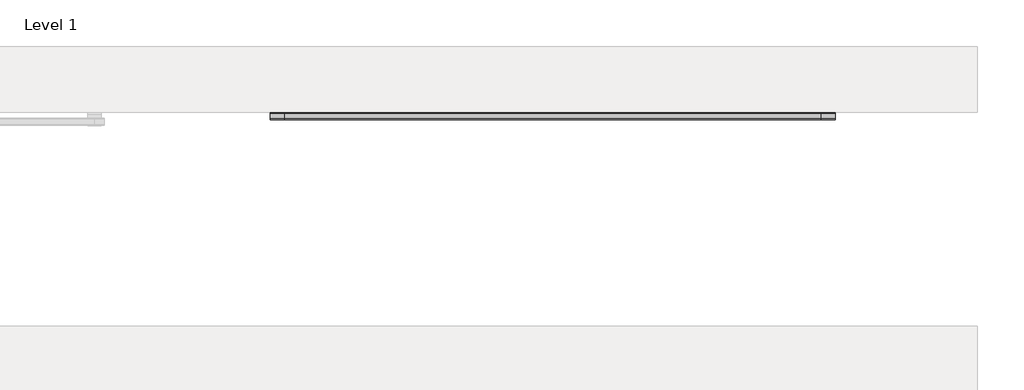
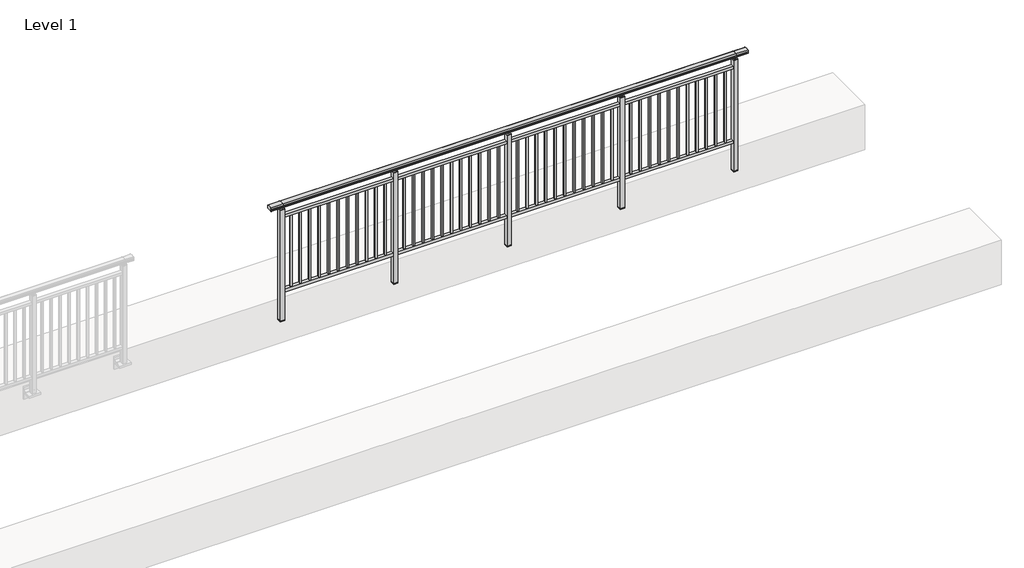
# One storey, part 19 of 64: 1 railing.
"""IFC4 building model written with IfcOpenShell, lengths in millimetres."""

from ifc_helpers import new_model, si_unit, frame, origin, place, context, project, spatial, polyline, circle_curve, outline, extrude, element, save
from ifc_brep_helpers import plane_surface, cylinder_surface, revolved_surface, advanced_brep

model = new_model("IFC4")

# Units and contexts
model_context = context("Model", 3, world=origin())
ifc_project = project(units=[si_unit("LENGTHUNIT", "METRE", prefix="MILLI")], contexts=[model_context])

# Site, building, storey
site = spatial("IfcSite", under=ifc_project)
building = spatial("IfcBuilding", under=site)
storey = spatial("IfcBuildingStorey", under=building, Name="Level 1", Elevation=0.0)

# Railing
placement = place(None, origin())
element("IfcRailing", 1, at=placement, inside=storey, context=model_context, shape_type="SolidModel", body=[
    advanced_brep(
    [(19372.5, 2392.8633756, 1095.6691182), (19372.5, 2397.6846828, 1081.1334092), (19372.5, 2396.7413744, 1069.2539035), (19372.5, 2398.6364177, 1061.4863007), (19372.5, 2396.9894799, 1060.384124), (19372.5, 2396.9894799, 1062.0), (19372.5, 2338.3798858, 1062.0), (19372.5, 2338.3798858, 1060.384124), (19372.5, 2336.732948, 1061.4863007), (19372.5, 2338.6279912, 1069.2539035), (19372.5, 2337.6846828, 1081.1334092), (19372.5, 2342.50599, 1095.6691182), (24427.5, 2392.8633756, 1095.6691182), (24427.5, 2342.50599, 1095.6691182), (24427.5, 2337.6846828, 1081.1334092), (24427.5, 2338.6279912, 1069.2539035), (24427.5, 2336.732948, 1061.4863007), (24427.5, 2338.3798858, 1060.384124), (24427.5, 2338.3798858, 1062.0), (24427.5, 2396.9894799, 1062.0), (24427.5, 2396.9894799, 1060.384124), (24427.5, 2398.6364177, 1061.4863007), (24427.5, 2396.7413744, 1069.2539035), (24427.5, 2397.6846828, 1081.1334092), (19500.0, 2392.8633756, 1095.6691182), (19500.0, 2397.6846828, 1081.1334092), (19500.0, 2396.7413744, 1069.2539035), (19500.0, 2398.6364177, 1061.4863007), (19500.0, 2396.9894799, 1060.384124), (19500.0, 2396.9894799, 1062.0), (19500.0, 2338.3798858, 1062.0), (19500.0, 2338.3798858, 1060.384124), (19500.0, 2336.732948, 1061.4863007), (19500.0, 2338.6279912, 1069.2539035), (19500.0, 2337.6846828, 1081.1334092), (19500.0, 2342.50599, 1095.6691182), (24300.0, 2392.8633756, 1095.6691182), (24300.0, 2397.6846828, 1081.1334092), (24300.0, 2396.7413744, 1069.2539035), (24300.0, 2398.6364177, 1061.4863007), (24300.0, 2396.9894799, 1060.384124), (24300.0, 2396.9894799, 1062.0), (24300.0, 2338.3798858, 1062.0), (24300.0, 2338.3798858, 1060.384124), (24300.0, 2336.732948, 1061.4863007), (24300.0, 2338.6279912, 1069.2539035), (24300.0, 2337.6846828, 1081.1334092), (24300.0, 2342.50599, 1095.6691182)],
    [
        (0, 1, circle_curve(frame((19372.5, 2389.6223845, 1086.526686), z_axis=(-1.0, 0.0, 0.0), x_axis=(0.0, -1.0, 0.0)), 9.6999015)),
        (1, 2, circle_curve(frame((19372.5, 2415.2252545, 1073.7633709), z_axis=(1.0, 0.0, 0.0), x_axis=(0.0, -1.0, 0.0)), 19.0260117)),
        (2, 3),
        (3, 4, circle_curve(frame((19372.5, 2397.7772073, 1060.9886194), z_axis=(-1.0, 0.0, 0.0), x_axis=(0.0, -1.0, 0.0)), 0.9929396)),
        (4, 5),
        (5, 6),
        (6, 7),
        (7, 8, circle_curve(frame((19372.5, 2337.5921584, 1060.9886194), z_axis=(-1.0, 0.0, 0.0), x_axis=(0.0, 1.0, 0.0)), 0.9929396)),
        (8, 9),
        (9, 10, circle_curve(frame((19372.5, 2320.1441111, 1073.7633709), z_axis=(1.0, 0.0, 0.0), x_axis=(0.0, 1.0, 0.0)), 19.0260117)),
        (10, 11, circle_curve(frame((19372.5, 2345.7469812, 1086.526686), z_axis=(-1.0, 0.0, 0.0), x_axis=(0.0, 1.0, 0.0)), 9.6999015)),
        (11, 0, circle_curve(frame((19372.5, 2367.6846828, 1024.6431628), z_axis=(-1.0, 0.0, 0.0), x_axis=(0.0, 1.0, 0.0)), 75.3568372)),
        (12, 13, circle_curve(frame((24427.5, 2367.6846828, 1024.6431628), z_axis=(1.0, 0.0, 0.0), x_axis=(0.0, 1.0, 0.0)), 75.3568372)),
        (13, 14, circle_curve(frame((24427.5, 2345.7469812, 1086.526686), z_axis=(1.0, 0.0, 0.0), x_axis=(0.0, 1.0, 0.0)), 9.6999015)),
        (14, 15, circle_curve(frame((24427.5, 2320.1441111, 1073.7633709), z_axis=(-1.0, 0.0, 0.0), x_axis=(0.0, 1.0, 0.0)), 19.0260117)),
        (15, 16),
        (16, 17, circle_curve(frame((24427.5, 2337.5921584, 1060.9886194), z_axis=(1.0, 0.0, 0.0), x_axis=(0.0, 1.0, 0.0)), 0.9929396)),
        (17, 18),
        (18, 19),
        (19, 20),
        (20, 21, circle_curve(frame((24427.5, 2397.7772073, 1060.9886194), z_axis=(1.0, 0.0, 0.0), x_axis=(0.0, -1.0, 0.0)), 0.9929396)),
        (21, 22),
        (22, 23, circle_curve(frame((24427.5, 2415.2252545, 1073.7633709), z_axis=(-1.0, 0.0, 0.0), x_axis=(0.0, -1.0, 0.0)), 19.0260117)),
        (23, 12, circle_curve(frame((24427.5, 2389.6223845, 1086.526686), z_axis=(1.0, 0.0, 0.0), x_axis=(0.0, -1.0, 0.0)), 9.6999015)),
        (0, 24),
        (24, 25, circle_curve(frame((19500.0, 2389.6223845, 1086.526686), z_axis=(-1.0, 0.0, 0.0), x_axis=(0.0, -1.0, 0.0)), 9.6999015)),
        (25, 1),
        (25, 26, circle_curve(frame((19500.0, 2415.2252545, 1073.7633709), z_axis=(1.0, 0.0, 0.0), x_axis=(0.0, -1.0, 0.0)), 19.0260117)),
        (26, 2),
        (26, 27),
        (27, 3),
        (27, 28, circle_curve(frame((19500.0, 2397.7772073, 1060.9886194), z_axis=(-1.0, 0.0, 0.0), x_axis=(0.0, -1.0, 0.0)), 0.9929396)),
        (28, 4),
        (28, 29),
        (29, 5),
        (29, 30),
        (30, 6),
        (30, 31),
        (31, 7),
        (31, 32, circle_curve(frame((19500.0, 2337.5921584, 1060.9886194), z_axis=(-1.0, 0.0, 0.0), x_axis=(0.0, 1.0, 0.0)), 0.9929396)),
        (32, 8),
        (32, 33),
        (33, 9),
        (33, 34, circle_curve(frame((19500.0, 2320.1441111, 1073.7633709), z_axis=(1.0, 0.0, 0.0), x_axis=(0.0, 1.0, 0.0)), 19.0260117)),
        (34, 10),
        (34, 35, circle_curve(frame((19500.0, 2345.7469812, 1086.526686), z_axis=(-1.0, 0.0, 0.0), x_axis=(0.0, 1.0, 0.0)), 9.6999015)),
        (35, 11),
        (35, 24, circle_curve(frame((19500.0, 2367.6846828, 1024.6431628), z_axis=(-1.0, 0.0, 0.0), x_axis=(0.0, 1.0, 0.0)), 75.3568372)),
        (24, 36),
        (36, 37, circle_curve(frame((24300.0, 2389.6223845, 1086.526686), z_axis=(-1.0, 0.0, 0.0), x_axis=(0.0, -1.0, 0.0)), 9.6999015)),
        (37, 25),
        (37, 38, circle_curve(frame((24300.0, 2415.2252545, 1073.7633709), z_axis=(1.0, 0.0, 0.0), x_axis=(0.0, -1.0, 0.0)), 19.0260117)),
        (38, 26),
        (38, 39),
        (39, 27),
        (39, 40, circle_curve(frame((24300.0, 2397.7772073, 1060.9886194), z_axis=(-1.0, 0.0, 0.0), x_axis=(0.0, -1.0, 0.0)), 0.9929396)),
        (40, 28),
        (40, 41),
        (41, 29),
        (41, 42),
        (42, 30),
        (42, 43),
        (43, 31),
        (43, 44, circle_curve(frame((24300.0, 2337.5921584, 1060.9886194), z_axis=(-1.0, 0.0, 0.0), x_axis=(0.0, 1.0, 0.0)), 0.9929396)),
        (44, 32),
        (44, 45),
        (45, 33),
        (45, 46, circle_curve(frame((24300.0, 2320.1441111, 1073.7633709), z_axis=(1.0, 0.0, 0.0), x_axis=(0.0, 1.0, 0.0)), 19.0260117)),
        (46, 34),
        (46, 47, circle_curve(frame((24300.0, 2345.7469812, 1086.526686), z_axis=(-1.0, 0.0, 0.0), x_axis=(0.0, 1.0, 0.0)), 9.6999015)),
        (47, 35),
        (47, 36, circle_curve(frame((24300.0, 2367.6846828, 1024.6431628), z_axis=(-1.0, 0.0, 0.0), x_axis=(0.0, 1.0, 0.0)), 75.3568372)),
        (36, 12),
        (23, 37),
        (22, 38),
        (21, 39),
        (20, 40),
        (19, 41),
        (18, 42),
        (17, 43),
        (16, 44),
        (15, 45),
        (14, 46),
        (13, 47),
    ],
    [
        plane_surface(frame((19372.5, 2367.6846828, 1100.0), z_axis=(-1.0, 0.0, 0.0), x_axis=(0.0, 1.0, 0.0))),
        plane_surface(frame((24427.5, 2367.6846828, 1100.0), z_axis=(1.0, 0.0, 0.0), x_axis=(0.0, 1.0, 0.0))),
        cylinder_surface(frame((19372.5, 2389.6223845, 1086.526686), z_axis=(-1.0, 0.0, 0.0), x_axis=(0.0, -1.0, 0.0)), 9.6999015),
        revolved_surface(polyline([(19500.0, 2396.1992428000003, 1073.7633709), (19372.5, 2396.1992428000003, 1073.7633709)]), (19372.5, 2415.2252545, 1073.7633709), (1.0, 0.0, 0.0)),
        plane_surface(frame((19372.5, 2396.7413744, 1069.2539035), z_axis=(0.0, 0.9715057689301543, 0.2370159086125439), x_axis=(1.0, 0.0, 0.0))),
        cylinder_surface(frame((19372.5, 2397.7772073, 1060.9886194), z_axis=(-1.0, 0.0, 0.0), x_axis=(0.0, -1.0, 0.0)), 0.9929396),
        plane_surface(frame((19372.5, 2396.9894799, 1060.384124), z_axis=(0.0, -1.0, 0.0), x_axis=(1.0, 0.0, 0.0))),
        plane_surface(frame((19372.5, 2396.9894799, 1062.0), z_axis=(0.0, 0.0, -1.0), x_axis=(1.0, 0.0, 0.0))),
        plane_surface(frame((19372.5, 2338.3798858, 1062.0), z_axis=(0.0, 1.0, 0.0), x_axis=(1.0, 0.0, 0.0))),
        cylinder_surface(frame((19372.5, 2337.5921584, 1060.9886194), z_axis=(-1.0, 0.0, 0.0), x_axis=(0.0, 1.0, 0.0)), 0.9929396),
        plane_surface(frame((19372.5, 2336.732948, 1061.4863007), z_axis=(0.0, -0.9715057689301543, 0.2370159086125439), x_axis=(1.0, 0.0, 0.0))),
        revolved_surface(polyline([(19500.0, 2339.1701227999997, 1073.7633709), (19372.5, 2339.1701227999997, 1073.7633709)]), (19372.5, 2320.1441111, 1073.7633709), (1.0, 0.0, 0.0)),
        cylinder_surface(frame((19372.5, 2345.7469812, 1086.526686), z_axis=(-1.0, 0.0, 0.0), x_axis=(0.0, 1.0, 0.0)), 9.6999015),
        cylinder_surface(frame((19372.5, 2367.6846828, 1024.6431628), z_axis=(-1.0, 0.0, 0.0), x_axis=(0.0, 1.0, 0.0)), 75.3568372),
        cylinder_surface(frame((19500.0, 2389.6223845, 1086.526686), z_axis=(-1.0, 0.0, 0.0), x_axis=(0.0, -1.0, 0.0)), 9.6999015),
        revolved_surface(polyline([(24300.0, 2396.1992428000003, 1073.7633709), (19500.0, 2396.1992428000003, 1073.7633709)]), (19500.0, 2415.2252545, 1073.7633709), (1.0, 0.0, 0.0)),
        plane_surface(frame((19500.0, 2396.7413744, 1069.2539035), z_axis=(0.0, 0.9715057689301543, 0.2370159086125439), x_axis=(1.0, 0.0, 0.0))),
        cylinder_surface(frame((19500.0, 2397.7772073, 1060.9886194), z_axis=(-1.0, 0.0, 0.0), x_axis=(0.0, -1.0, 0.0)), 0.9929396),
        plane_surface(frame((19500.0, 2396.9894799, 1060.384124), z_axis=(0.0, -1.0, 0.0), x_axis=(1.0, 0.0, 0.0))),
        plane_surface(frame((19500.0, 2396.9894799, 1062.0), z_axis=(0.0, 0.0, -1.0), x_axis=(1.0, 0.0, 0.0))),
        plane_surface(frame((19500.0, 2338.3798858, 1062.0), z_axis=(0.0, 1.0, 0.0), x_axis=(1.0, 0.0, 0.0))),
        cylinder_surface(frame((19500.0, 2337.5921584, 1060.9886194), z_axis=(-1.0, 0.0, 0.0), x_axis=(0.0, 1.0, 0.0)), 0.9929396),
        plane_surface(frame((19500.0, 2336.732948, 1061.4863007), z_axis=(0.0, -0.9715057689301543, 0.2370159086125439), x_axis=(1.0, 0.0, 0.0))),
        revolved_surface(polyline([(24300.0, 2339.1701227999997, 1073.7633709), (19500.0, 2339.1701227999997, 1073.7633709)]), (19500.0, 2320.1441111, 1073.7633709), (1.0, 0.0, 0.0)),
        cylinder_surface(frame((19500.0, 2345.7469812, 1086.526686), z_axis=(-1.0, 0.0, 0.0), x_axis=(0.0, 1.0, 0.0)), 9.6999015),
        cylinder_surface(frame((19500.0, 2367.6846828, 1024.6431628), z_axis=(-1.0, 0.0, 0.0), x_axis=(0.0, 1.0, 0.0)), 75.3568372),
        cylinder_surface(frame((24300.0, 2389.6223845, 1086.526686), z_axis=(-1.0, 0.0, 0.0), x_axis=(0.0, -1.0, 0.0)), 9.6999015),
        revolved_surface(polyline([(24427.5, 2396.1992428000003, 1073.7633709), (24300.0, 2396.1992428000003, 1073.7633709)]), (24300.0, 2415.2252545, 1073.7633709), (1.0, 0.0, 0.0)),
        plane_surface(frame((24300.0, 2396.7413744, 1069.2539035), z_axis=(0.0, 0.9715057689301543, 0.2370159086125439), x_axis=(1.0, 0.0, 0.0))),
        cylinder_surface(frame((24300.0, 2397.7772073, 1060.9886194), z_axis=(-1.0, 0.0, 0.0), x_axis=(0.0, -1.0, 0.0)), 0.9929396),
        plane_surface(frame((24300.0, 2396.9894799, 1060.384124), z_axis=(0.0, -1.0, 0.0), x_axis=(1.0, 0.0, 0.0))),
        plane_surface(frame((24300.0, 2396.9894799, 1062.0), z_axis=(0.0, 0.0, -1.0), x_axis=(1.0, 0.0, 0.0))),
        plane_surface(frame((24300.0, 2338.3798858, 1062.0), z_axis=(0.0, 1.0, 0.0), x_axis=(1.0, 0.0, 0.0))),
        cylinder_surface(frame((24300.0, 2337.5921584, 1060.9886194), z_axis=(-1.0, 0.0, 0.0), x_axis=(0.0, 1.0, 0.0)), 0.9929396),
        plane_surface(frame((24300.0, 2336.732948, 1061.4863007), z_axis=(0.0, -0.9715057689301543, 0.2370159086125439), x_axis=(1.0, 0.0, 0.0))),
        revolved_surface(polyline([(24427.5, 2339.1701227999997, 1073.7633709), (24300.0, 2339.1701227999997, 1073.7633709)]), (24300.0, 2320.1441111, 1073.7633709), (1.0, 0.0, 0.0)),
        cylinder_surface(frame((24300.0, 2345.7469812, 1086.526686), z_axis=(-1.0, 0.0, 0.0), x_axis=(0.0, 1.0, 0.0)), 9.6999015),
        cylinder_surface(frame((24300.0, 2367.6846828, 1024.6431628), z_axis=(-1.0, 0.0, 0.0), x_axis=(0.0, 1.0, 0.0)), 75.3568372),
    ],
    [
        (0, [[1, 2, 3, 4, 5, 6, 7, 8, 9, 10, 11, 12]]),
        (1, [[13, 14, 15, 16, 17, 18, 19, 20, 21, 22, 23, 24]]),
        (2, [[-1, 25, 26, 27]]),
        (3, [[-2, -27, 28, 29]]),
        (4, [[-3, -29, 30, 31]]),
        (5, [[-4, -31, 32, 33]]),
        (6, [[-5, -33, 34, 35]]),
        (7, [[-6, -35, 36, 37]]),
        (8, [[-7, -37, 38, 39]]),
        (9, [[-8, -39, 40, 41]]),
        (10, [[-9, -41, 42, 43]]),
        (11, [[-10, -43, 44, 45]]),
        (12, [[-11, -45, 46, 47]]),
        (13, [[-12, -47, 48, -25]]),
        (14, [[-26, 49, 50, 51]]),
        (15, [[-28, -51, 52, 53]]),
        (16, [[-30, -53, 54, 55]]),
        (17, [[-32, -55, 56, 57]]),
        (18, [[-34, -57, 58, 59]]),
        (19, [[-36, -59, 60, 61]]),
        (20, [[-38, -61, 62, 63]]),
        (21, [[-40, -63, 64, 65]]),
        (22, [[-42, -65, 66, 67]]),
        (23, [[-44, -67, 68, 69]]),
        (24, [[-46, -69, 70, 71]]),
        (25, [[-48, -71, 72, -49]]),
        (26, [[-50, 73, -24, 74]]),
        (27, [[-52, -74, -23, 75]]),
        (28, [[-54, -75, -22, 76]]),
        (29, [[-56, -76, -21, 77]]),
        (30, [[-58, -77, -20, 78]]),
        (31, [[-60, -78, -19, 79]]),
        (32, [[-62, -79, -18, 80]]),
        (33, [[-64, -80, -17, 81]]),
        (34, [[-66, -81, -16, 82]]),
        (35, [[-68, -82, -15, 83]]),
        (36, [[-70, -83, -14, 84]]),
        (37, [[-72, -84, -13, -73]]),
    ],
),
    extrude(outline(polyline([(19500.0, 2350.1846828), (19500.0, 2385.1846828), (24300.0, 2385.1846828), (24300.0, 2350.1846828), (19500.0, 2350.1846828)])), frame((0.0, 0.0, 930.0), z_axis=(0.0, 0.0, 1.0), x_axis=(1.0, 0.0, 0.0)), (0.0, 0.0, 1.0), 30.0),
    extrude(outline(polyline([(19500.0, 2350.1846828), (19500.0, 2385.1846828), (24300.0, 2385.1846828), (24300.0, 2350.1846828), (19500.0, 2350.1846828)])), frame((0.0, 0.0, 95.0), z_axis=(0.0, 0.0, 1.0), x_axis=(1.0, 0.0, 0.0)), (0.0, 0.0, 1.0), 30.0),
    extrude(outline(polyline([(24208.5, 2359.1846828), (24191.5, 2359.1846828), (24191.5, 2376.1846828), (24208.5, 2376.1846828), (24208.5, 2359.1846828)])), frame((0.0, 0.0, 125.0), z_axis=(0.0, 0.0, 1.0), x_axis=(1.0, 0.0, 0.0)), (0.0, 0.0, 1.0), 805.0),
    extrude(outline(polyline([(24108.5, 2359.1846828), (24091.5, 2359.1846828), (24091.5, 2376.1846828), (24108.5, 2376.1846828), (24108.5, 2359.1846828)])), frame((0.0, 0.0, 125.0), z_axis=(0.0, 0.0, 1.0), x_axis=(1.0, 0.0, 0.0)), (0.0, 0.0, 1.0), 805.0),
    extrude(outline(polyline([(24008.5, 2359.1846828), (23991.5, 2359.1846828), (23991.5, 2376.1846828), (24008.5, 2376.1846828), (24008.5, 2359.1846828)])), frame((0.0, 0.0, 125.0), z_axis=(0.0, 0.0, 1.0), x_axis=(1.0, 0.0, 0.0)), (0.0, 0.0, 1.0), 805.0),
    extrude(outline(polyline([(23908.5, 2359.1846828), (23891.5, 2359.1846828), (23891.5, 2376.1846828), (23908.5, 2376.1846828), (23908.5, 2359.1846828)])), frame((0.0, 0.0, 125.0), z_axis=(0.0, 0.0, 1.0), x_axis=(1.0, 0.0, 0.0)), (0.0, 0.0, 1.0), 805.0),
    extrude(outline(polyline([(23808.5, 2359.1846828), (23791.5, 2359.1846828), (23791.5, 2376.1846828), (23808.5, 2376.1846828), (23808.5, 2359.1846828)])), frame((0.0, 0.0, 125.0), z_axis=(0.0, 0.0, 1.0), x_axis=(1.0, 0.0, 0.0)), (0.0, 0.0, 1.0), 805.0),
    extrude(outline(polyline([(23708.5, 2359.1846828), (23691.5, 2359.1846828), (23691.5, 2376.1846828), (23708.5, 2376.1846828), (23708.5, 2359.1846828)])), frame((0.0, 0.0, 125.0), z_axis=(0.0, 0.0, 1.0), x_axis=(1.0, 0.0, 0.0)), (0.0, 0.0, 1.0), 805.0),
    extrude(outline(polyline([(23608.5, 2359.1846828), (23591.5, 2359.1846828), (23591.5, 2376.1846828), (23608.5, 2376.1846828), (23608.5, 2359.1846828)])), frame((0.0, 0.0, 125.0), z_axis=(0.0, 0.0, 1.0), x_axis=(1.0, 0.0, 0.0)), (0.0, 0.0, 1.0), 805.0),
    extrude(outline(polyline([(23508.5, 2359.1846828), (23491.5, 2359.1846828), (23491.5, 2376.1846828), (23508.5, 2376.1846828), (23508.5, 2359.1846828)])), frame((0.0, 0.0, 125.0), z_axis=(0.0, 0.0, 1.0), x_axis=(1.0, 0.0, 0.0)), (0.0, 0.0, 1.0), 805.0),
    extrude(outline(polyline([(23408.5, 2359.1846828), (23391.5, 2359.1846828), (23391.5, 2376.1846828), (23408.5, 2376.1846828), (23408.5, 2359.1846828)])), frame((0.0, 0.0, 125.0), z_axis=(0.0, 0.0, 1.0), x_axis=(1.0, 0.0, 0.0)), (0.0, 0.0, 1.0), 805.0),
    extrude(outline(polyline([(23308.5, 2359.1846828), (23291.5, 2359.1846828), (23291.5, 2376.1846828), (23308.5, 2376.1846828), (23308.5, 2359.1846828)])), frame((0.0, 0.0, 125.0), z_axis=(0.0, 0.0, 1.0), x_axis=(1.0, 0.0, 0.0)), (0.0, 0.0, 1.0), 805.0),
    extrude(outline(polyline([(23208.5, 2359.1846828), (23191.5, 2359.1846828), (23191.5, 2376.1846828), (23208.5, 2376.1846828), (23208.5, 2359.1846828)])), frame((0.0, 0.0, 125.0), z_axis=(0.0, 0.0, 1.0), x_axis=(1.0, 0.0, 0.0)), (0.0, 0.0, 1.0), 805.0),
    extrude(outline(polyline([(23122.5, 2390.1846828), (23122.5, 2345.1846828), (23077.5, 2345.1846828), (23077.5, 2390.1846828), (23122.5, 2390.1846828)])), frame((0.0, 0.0, 1027.0), z_axis=(0.0, 0.0, 1.0), x_axis=(1.0, 0.0, 0.0)), (0.0, 0.0, 1.0), 8.0),
    extrude(outline(polyline([(23122.5, 2390.1846828), (23122.5, 2345.1846828), (23077.5, 2345.1846828), (23077.5, 2390.1846828), (23122.5, 2390.1846828)])), frame((0.0, 0.0, -212.0), z_axis=(0.0, 0.0, 1.0), x_axis=(1.0, 0.0, 0.0)), (0.0, 0.0, 1.0), 1239.0),
    extrude(outline(polyline([(23110.0, 2377.6846828), (23110.0, 2357.6846828), (23090.0, 2357.6846828), (23090.0, 2377.6846828), (23110.0, 2377.6846828)])), frame((0.0, 0.0, 1035.0), z_axis=(0.0, 0.0, 1.0), x_axis=(1.0, 0.0, 0.0)), (0.0, 0.0, 1.0), 20.0),
    extrude(outline(polyline([(23122.5, 2390.1846828), (23122.5, 2345.1846828), (23077.5, 2345.1846828), (23077.5, 2390.1846828), (23122.5, 2390.1846828)])), frame((0.0, 0.0, -220.0), z_axis=(0.0, 0.0, 1.0), x_axis=(1.0, 0.0, 0.0)), (0.0, 0.0, 1.0), 8.0),
    extrude(outline(polyline([(23008.5, 2359.1846828), (22991.5, 2359.1846828), (22991.5, 2376.1846828), (23008.5, 2376.1846828), (23008.5, 2359.1846828)])), frame((0.0, 0.0, 125.0), z_axis=(0.0, 0.0, 1.0), x_axis=(1.0, 0.0, 0.0)), (0.0, 0.0, 1.0), 805.0),
    extrude(outline(polyline([(22908.5, 2359.1846828), (22891.5, 2359.1846828), (22891.5, 2376.1846828), (22908.5, 2376.1846828), (22908.5, 2359.1846828)])), frame((0.0, 0.0, 125.0), z_axis=(0.0, 0.0, 1.0), x_axis=(1.0, 0.0, 0.0)), (0.0, 0.0, 1.0), 805.0),
    extrude(outline(polyline([(22808.5, 2359.1846828), (22791.5, 2359.1846828), (22791.5, 2376.1846828), (22808.5, 2376.1846828), (22808.5, 2359.1846828)])), frame((0.0, 0.0, 125.0), z_axis=(0.0, 0.0, 1.0), x_axis=(1.0, 0.0, 0.0)), (0.0, 0.0, 1.0), 805.0),
    extrude(outline(polyline([(22708.5, 2359.1846828), (22691.5, 2359.1846828), (22691.5, 2376.1846828), (22708.5, 2376.1846828), (22708.5, 2359.1846828)])), frame((0.0, 0.0, 125.0), z_axis=(0.0, 0.0, 1.0), x_axis=(1.0, 0.0, 0.0)), (0.0, 0.0, 1.0), 805.0),
    extrude(outline(polyline([(22608.5, 2359.1846828), (22591.5, 2359.1846828), (22591.5, 2376.1846828), (22608.5, 2376.1846828), (22608.5, 2359.1846828)])), frame((0.0, 0.0, 125.0), z_axis=(0.0, 0.0, 1.0), x_axis=(1.0, 0.0, 0.0)), (0.0, 0.0, 1.0), 805.0),
    extrude(outline(polyline([(22508.5, 2359.1846828), (22491.5, 2359.1846828), (22491.5, 2376.1846828), (22508.5, 2376.1846828), (22508.5, 2359.1846828)])), frame((0.0, 0.0, 125.0), z_axis=(0.0, 0.0, 1.0), x_axis=(1.0, 0.0, 0.0)), (0.0, 0.0, 1.0), 805.0),
    extrude(outline(polyline([(22408.5, 2359.1846828), (22391.5, 2359.1846828), (22391.5, 2376.1846828), (22408.5, 2376.1846828), (22408.5, 2359.1846828)])), frame((0.0, 0.0, 125.0), z_axis=(0.0, 0.0, 1.0), x_axis=(1.0, 0.0, 0.0)), (0.0, 0.0, 1.0), 805.0),
    extrude(outline(polyline([(22308.5, 2359.1846828), (22291.5, 2359.1846828), (22291.5, 2376.1846828), (22308.5, 2376.1846828), (22308.5, 2359.1846828)])), frame((0.0, 0.0, 125.0), z_axis=(0.0, 0.0, 1.0), x_axis=(1.0, 0.0, 0.0)), (0.0, 0.0, 1.0), 805.0),
    extrude(outline(polyline([(22208.5, 2359.1846828), (22191.5, 2359.1846828), (22191.5, 2376.1846828), (22208.5, 2376.1846828), (22208.5, 2359.1846828)])), frame((0.0, 0.0, 125.0), z_axis=(0.0, 0.0, 1.0), x_axis=(1.0, 0.0, 0.0)), (0.0, 0.0, 1.0), 805.0),
    extrude(outline(polyline([(22108.5, 2359.1846828), (22091.5, 2359.1846828), (22091.5, 2376.1846828), (22108.5, 2376.1846828), (22108.5, 2359.1846828)])), frame((0.0, 0.0, 125.0), z_axis=(0.0, 0.0, 1.0), x_axis=(1.0, 0.0, 0.0)), (0.0, 0.0, 1.0), 805.0),
    extrude(outline(polyline([(22008.5, 2359.1846828), (21991.5, 2359.1846828), (21991.5, 2376.1846828), (22008.5, 2376.1846828), (22008.5, 2359.1846828)])), frame((0.0, 0.0, 125.0), z_axis=(0.0, 0.0, 1.0), x_axis=(1.0, 0.0, 0.0)), (0.0, 0.0, 1.0), 805.0),
    extrude(outline(polyline([(21922.5, 2390.1846828), (21922.5, 2345.1846828), (21877.5, 2345.1846828), (21877.5, 2390.1846828), (21922.5, 2390.1846828)])), frame((0.0, 0.0, 1027.0), z_axis=(0.0, 0.0, 1.0), x_axis=(1.0, 0.0, 0.0)), (0.0, 0.0, 1.0), 8.0),
    extrude(outline(polyline([(21922.5, 2390.1846828), (21922.5, 2345.1846828), (21877.5, 2345.1846828), (21877.5, 2390.1846828), (21922.5, 2390.1846828)])), frame((0.0, 0.0, -212.0), z_axis=(0.0, 0.0, 1.0), x_axis=(1.0, 0.0, 0.0)), (0.0, 0.0, 1.0), 1239.0),
    extrude(outline(polyline([(21910.0, 2377.6846828), (21910.0, 2357.6846828), (21890.0, 2357.6846828), (21890.0, 2377.6846828), (21910.0, 2377.6846828)])), frame((0.0, 0.0, 1035.0), z_axis=(0.0, 0.0, 1.0), x_axis=(1.0, 0.0, 0.0)), (0.0, 0.0, 1.0), 20.0),
    extrude(outline(polyline([(21922.5, 2390.1846828), (21922.5, 2345.1846828), (21877.5, 2345.1846828), (21877.5, 2390.1846828), (21922.5, 2390.1846828)])), frame((0.0, 0.0, -220.0), z_axis=(0.0, 0.0, 1.0), x_axis=(1.0, 0.0, 0.0)), (0.0, 0.0, 1.0), 8.0),
    extrude(outline(polyline([(21808.5, 2359.1846828), (21791.5, 2359.1846828), (21791.5, 2376.1846828), (21808.5, 2376.1846828), (21808.5, 2359.1846828)])), frame((0.0, 0.0, 125.0), z_axis=(0.0, 0.0, 1.0), x_axis=(1.0, 0.0, 0.0)), (0.0, 0.0, 1.0), 805.0),
    extrude(outline(polyline([(21708.5, 2359.1846828), (21691.5, 2359.1846828), (21691.5, 2376.1846828), (21708.5, 2376.1846828), (21708.5, 2359.1846828)])), frame((0.0, 0.0, 125.0), z_axis=(0.0, 0.0, 1.0), x_axis=(1.0, 0.0, 0.0)), (0.0, 0.0, 1.0), 805.0),
    extrude(outline(polyline([(21608.5, 2359.1846828), (21591.5, 2359.1846828), (21591.5, 2376.1846828), (21608.5, 2376.1846828), (21608.5, 2359.1846828)])), frame((0.0, 0.0, 125.0), z_axis=(0.0, 0.0, 1.0), x_axis=(1.0, 0.0, 0.0)), (0.0, 0.0, 1.0), 805.0),
    extrude(outline(polyline([(21508.5, 2359.1846828), (21491.5, 2359.1846828), (21491.5, 2376.1846828), (21508.5, 2376.1846828), (21508.5, 2359.1846828)])), frame((0.0, 0.0, 125.0), z_axis=(0.0, 0.0, 1.0), x_axis=(1.0, 0.0, 0.0)), (0.0, 0.0, 1.0), 805.0),
    extrude(outline(polyline([(21408.5, 2359.1846828), (21391.5, 2359.1846828), (21391.5, 2376.1846828), (21408.5, 2376.1846828), (21408.5, 2359.1846828)])), frame((0.0, 0.0, 125.0), z_axis=(0.0, 0.0, 1.0), x_axis=(1.0, 0.0, 0.0)), (0.0, 0.0, 1.0), 805.0),
    extrude(outline(polyline([(21308.5, 2359.1846828), (21291.5, 2359.1846828), (21291.5, 2376.1846828), (21308.5, 2376.1846828), (21308.5, 2359.1846828)])), frame((0.0, 0.0, 125.0), z_axis=(0.0, 0.0, 1.0), x_axis=(1.0, 0.0, 0.0)), (0.0, 0.0, 1.0), 805.0),
    extrude(outline(polyline([(21208.5, 2359.1846828), (21191.5, 2359.1846828), (21191.5, 2376.1846828), (21208.5, 2376.1846828), (21208.5, 2359.1846828)])), frame((0.0, 0.0, 125.0), z_axis=(0.0, 0.0, 1.0), x_axis=(1.0, 0.0, 0.0)), (0.0, 0.0, 1.0), 805.0),
    extrude(outline(polyline([(21108.5, 2359.1846828), (21091.5, 2359.1846828), (21091.5, 2376.1846828), (21108.5, 2376.1846828), (21108.5, 2359.1846828)])), frame((0.0, 0.0, 125.0), z_axis=(0.0, 0.0, 1.0), x_axis=(1.0, 0.0, 0.0)), (0.0, 0.0, 1.0), 805.0),
    extrude(outline(polyline([(21008.5, 2359.1846828), (20991.5, 2359.1846828), (20991.5, 2376.1846828), (21008.5, 2376.1846828), (21008.5, 2359.1846828)])), frame((0.0, 0.0, 125.0), z_axis=(0.0, 0.0, 1.0), x_axis=(1.0, 0.0, 0.0)), (0.0, 0.0, 1.0), 805.0),
    extrude(outline(polyline([(20908.5, 2359.1846828), (20891.5, 2359.1846828), (20891.5, 2376.1846828), (20908.5, 2376.1846828), (20908.5, 2359.1846828)])), frame((0.0, 0.0, 125.0), z_axis=(0.0, 0.0, 1.0), x_axis=(1.0, 0.0, 0.0)), (0.0, 0.0, 1.0), 805.0),
    extrude(outline(polyline([(20808.5, 2359.1846828), (20791.5, 2359.1846828), (20791.5, 2376.1846828), (20808.5, 2376.1846828), (20808.5, 2359.1846828)])), frame((0.0, 0.0, 125.0), z_axis=(0.0, 0.0, 1.0), x_axis=(1.0, 0.0, 0.0)), (0.0, 0.0, 1.0), 805.0),
    extrude(outline(polyline([(20722.5, 2390.1846828), (20722.5, 2345.1846828), (20677.5, 2345.1846828), (20677.5, 2390.1846828), (20722.5, 2390.1846828)])), frame((0.0, 0.0, 1027.0), z_axis=(0.0, 0.0, 1.0), x_axis=(1.0, 0.0, 0.0)), (0.0, 0.0, 1.0), 8.0),
    extrude(outline(polyline([(20722.5, 2390.1846828), (20722.5, 2345.1846828), (20677.5, 2345.1846828), (20677.5, 2390.1846828), (20722.5, 2390.1846828)])), frame((0.0, 0.0, -212.0), z_axis=(0.0, 0.0, 1.0), x_axis=(1.0, 0.0, 0.0)), (0.0, 0.0, 1.0), 1239.0),
    extrude(outline(polyline([(20710.0, 2377.6846828), (20710.0, 2357.6846828), (20690.0, 2357.6846828), (20690.0, 2377.6846828), (20710.0, 2377.6846828)])), frame((0.0, 0.0, 1035.0), z_axis=(0.0, 0.0, 1.0), x_axis=(1.0, 0.0, 0.0)), (0.0, 0.0, 1.0), 20.0),
    extrude(outline(polyline([(20722.5, 2390.1846828), (20722.5, 2345.1846828), (20677.5, 2345.1846828), (20677.5, 2390.1846828), (20722.5, 2390.1846828)])), frame((0.0, 0.0, -220.0), z_axis=(0.0, 0.0, 1.0), x_axis=(1.0, 0.0, 0.0)), (0.0, 0.0, 1.0), 8.0),
    extrude(outline(polyline([(20608.5, 2359.1846828), (20591.5, 2359.1846828), (20591.5, 2376.1846828), (20608.5, 2376.1846828), (20608.5, 2359.1846828)])), frame((0.0, 0.0, 125.0), z_axis=(0.0, 0.0, 1.0), x_axis=(1.0, 0.0, 0.0)), (0.0, 0.0, 1.0), 805.0),
    extrude(outline(polyline([(20508.5, 2359.1846828), (20491.5, 2359.1846828), (20491.5, 2376.1846828), (20508.5, 2376.1846828), (20508.5, 2359.1846828)])), frame((0.0, 0.0, 125.0), z_axis=(0.0, 0.0, 1.0), x_axis=(1.0, 0.0, 0.0)), (0.0, 0.0, 1.0), 805.0),
    extrude(outline(polyline([(20408.5, 2359.1846828), (20391.5, 2359.1846828), (20391.5, 2376.1846828), (20408.5, 2376.1846828), (20408.5, 2359.1846828)])), frame((0.0, 0.0, 125.0), z_axis=(0.0, 0.0, 1.0), x_axis=(1.0, 0.0, 0.0)), (0.0, 0.0, 1.0), 805.0),
    extrude(outline(polyline([(20308.5, 2359.1846828), (20291.5, 2359.1846828), (20291.5, 2376.1846828), (20308.5, 2376.1846828), (20308.5, 2359.1846828)])), frame((0.0, 0.0, 125.0), z_axis=(0.0, 0.0, 1.0), x_axis=(1.0, 0.0, 0.0)), (0.0, 0.0, 1.0), 805.0),
    extrude(outline(polyline([(20208.5, 2359.1846828), (20191.5, 2359.1846828), (20191.5, 2376.1846828), (20208.5, 2376.1846828), (20208.5, 2359.1846828)])), frame((0.0, 0.0, 125.0), z_axis=(0.0, 0.0, 1.0), x_axis=(1.0, 0.0, 0.0)), (0.0, 0.0, 1.0), 805.0),
    extrude(outline(polyline([(20108.5, 2359.1846828), (20091.5, 2359.1846828), (20091.5, 2376.1846828), (20108.5, 2376.1846828), (20108.5, 2359.1846828)])), frame((0.0, 0.0, 125.0), z_axis=(0.0, 0.0, 1.0), x_axis=(1.0, 0.0, 0.0)), (0.0, 0.0, 1.0), 805.0),
    extrude(outline(polyline([(20008.5, 2359.1846828), (19991.5, 2359.1846828), (19991.5, 2376.1846828), (20008.5, 2376.1846828), (20008.5, 2359.1846828)])), frame((0.0, 0.0, 125.0), z_axis=(0.0, 0.0, 1.0), x_axis=(1.0, 0.0, 0.0)), (0.0, 0.0, 1.0), 805.0),
    extrude(outline(polyline([(19908.5, 2359.1846828), (19891.5, 2359.1846828), (19891.5, 2376.1846828), (19908.5, 2376.1846828), (19908.5, 2359.1846828)])), frame((0.0, 0.0, 125.0), z_axis=(0.0, 0.0, 1.0), x_axis=(1.0, 0.0, 0.0)), (0.0, 0.0, 1.0), 805.0),
    extrude(outline(polyline([(19808.5, 2359.1846828), (19791.5, 2359.1846828), (19791.5, 2376.1846828), (19808.5, 2376.1846828), (19808.5, 2359.1846828)])), frame((0.0, 0.0, 125.0), z_axis=(0.0, 0.0, 1.0), x_axis=(1.0, 0.0, 0.0)), (0.0, 0.0, 1.0), 805.0),
    extrude(outline(polyline([(19708.5, 2359.1846828), (19691.5, 2359.1846828), (19691.5, 2376.1846828), (19708.5, 2376.1846828), (19708.5, 2359.1846828)])), frame((0.0, 0.0, 125.0), z_axis=(0.0, 0.0, 1.0), x_axis=(1.0, 0.0, 0.0)), (0.0, 0.0, 1.0), 805.0),
    extrude(outline(polyline([(19608.5, 2359.1846828), (19591.5, 2359.1846828), (19591.5, 2376.1846828), (19608.5, 2376.1846828), (19608.5, 2359.1846828)])), frame((0.0, 0.0, 125.0), z_axis=(0.0, 0.0, 1.0), x_axis=(1.0, 0.0, 0.0)), (0.0, 0.0, 1.0), 805.0),
    extrude(outline(polyline([(24322.5, 2390.1846828), (24322.5, 2345.1846828), (24277.5, 2345.1846828), (24277.5, 2390.1846828), (24322.5, 2390.1846828)])), frame((0.0, 0.0, 1027.0), z_axis=(0.0, 0.0, 1.0), x_axis=(1.0, 0.0, 0.0)), (0.0, 0.0, 1.0), 8.0),
    extrude(outline(polyline([(24322.5, 2390.1846828), (24322.5, 2345.1846828), (24277.5, 2345.1846828), (24277.5, 2390.1846828), (24322.5, 2390.1846828)])), frame((0.0, 0.0, -212.0), z_axis=(0.0, 0.0, 1.0), x_axis=(1.0, 0.0, 0.0)), (0.0, 0.0, 1.0), 1239.0),
    extrude(outline(polyline([(24310.0, 2377.6846828), (24310.0, 2357.6846828), (24290.0, 2357.6846828), (24290.0, 2377.6846828), (24310.0, 2377.6846828)])), frame((0.0, 0.0, 1035.0), z_axis=(0.0, 0.0, 1.0), x_axis=(1.0, 0.0, 0.0)), (0.0, 0.0, 1.0), 20.0),
    extrude(outline(polyline([(24322.5, 2390.1846828), (24322.5, 2345.1846828), (24277.5, 2345.1846828), (24277.5, 2390.1846828), (24322.5, 2390.1846828)])), frame((0.0, 0.0, -220.0), z_axis=(0.0, 0.0, 1.0), x_axis=(1.0, 0.0, 0.0)), (0.0, 0.0, 1.0), 8.0),
    extrude(outline(polyline([(19522.5, 2390.1846828), (19522.5, 2345.1846828), (19477.5, 2345.1846828), (19477.5, 2390.1846828), (19522.5, 2390.1846828)])), frame((0.0, 0.0, 1027.0), z_axis=(0.0, 0.0, 1.0), x_axis=(1.0, 0.0, 0.0)), (0.0, 0.0, 1.0), 8.0),
    extrude(outline(polyline([(19522.5, 2390.1846828), (19522.5, 2345.1846828), (19477.5, 2345.1846828), (19477.5, 2390.1846828), (19522.5, 2390.1846828)])), frame((0.0, 0.0, -212.0), z_axis=(0.0, 0.0, 1.0), x_axis=(1.0, 0.0, 0.0)), (0.0, 0.0, 1.0), 1239.0),
    extrude(outline(polyline([(19510.0, 2377.6846828), (19510.0, 2357.6846828), (19490.0, 2357.6846828), (19490.0, 2377.6846828), (19510.0, 2377.6846828)])), frame((0.0, 0.0, 1035.0), z_axis=(0.0, 0.0, 1.0), x_axis=(1.0, 0.0, 0.0)), (0.0, 0.0, 1.0), 20.0),
    extrude(outline(polyline([(19522.5, 2390.1846828), (19522.5, 2345.1846828), (19477.5, 2345.1846828), (19477.5, 2390.1846828), (19522.5, 2390.1846828)])), frame((0.0, 0.0, -220.0), z_axis=(0.0, 0.0, 1.0), x_axis=(1.0, 0.0, 0.0)), (0.0, 0.0, 1.0), 8.0),
])

save(model, "model.ifc")
